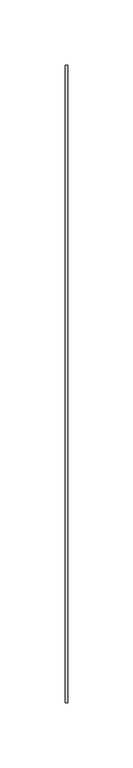
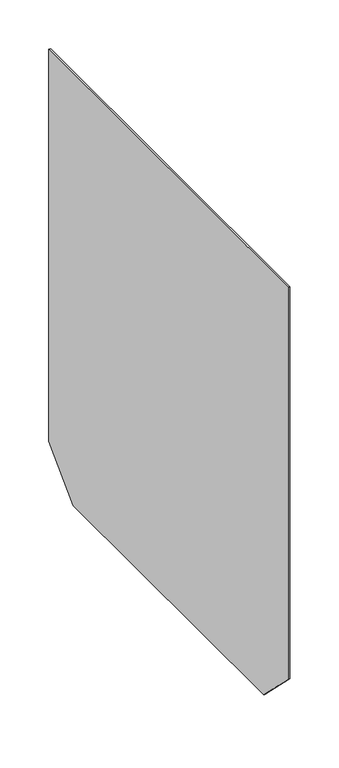
"""IFC4 building model written with IfcOpenShell, lengths in millimetres: proxy geometry."""

from ifc_helpers import new_model, si_unit, frame, origin, place, context, project, spatial, polyline, outline, extrude, source, transform, mapped, element, save


def generic_models_0b33eacd(model_context):
    return source(origin(), model_context, "Body", "SweptSolid", [
        extrude(outline(polyline([(245.0, -490.0), (195.0, -540.0), (-195.0, -540.0), (-245.0, -490.0), (-245.0, 0.0), (245.0, 0.0), (245.0, -490.0)])), frame((0.0, 0.0, 0.0), z_axis=(1.0, 0.0, 0.0), x_axis=(0.0, 1.0, 0.0)), (0.0, 0.0, 1.0), 2.0),
    ])


if __name__ == "__main__":
    model = new_model("IFC4")
    model_context = context("Model", 3, world=origin())
    ifc_project = project(units=[si_unit("LENGTHUNIT", "METRE", prefix="MILLI")], contexts=[model_context])
    site = spatial("IfcSite", under=ifc_project)
    building = spatial("IfcBuilding", under=site)
    placement = place(None, origin())
    generic_models_shape = generic_models_0b33eacd(model_context)
    element("IfcBuildingElementProxy", 1, Name="Generic Models", at=placement, inside=building, context=model_context, shape_type="MappedRepresentation", body=[
        mapped(generic_models_shape, transform((0.0, 0.0, 0.0), x_axis=(1.0, 0.0, 0.0), y_axis=(0.0, 1.0, 0.0), z_axis=(0.0, 0.0, 1.0))),
    ])
    save(model, "model.ifc")
